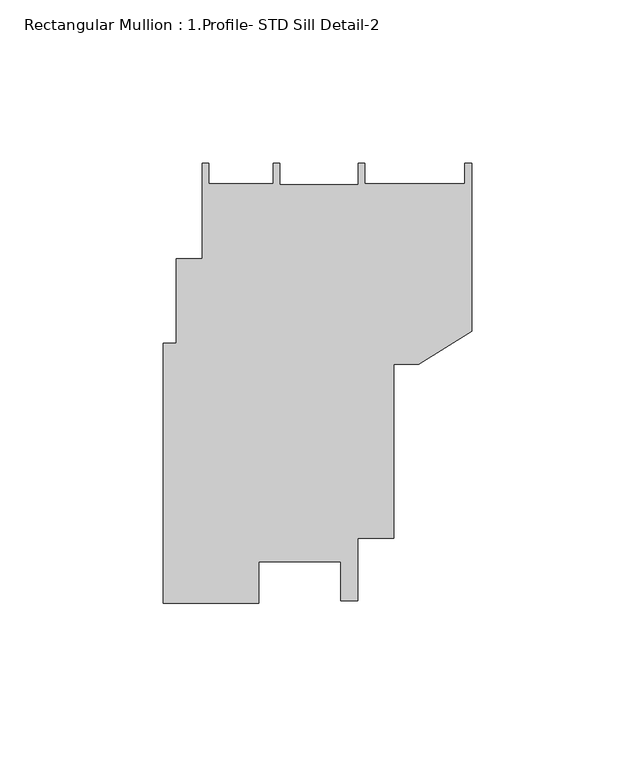
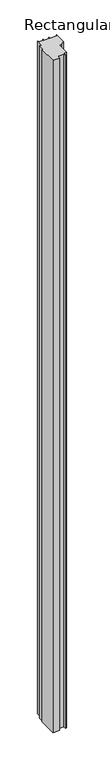
"""IFC4 building model written with IfcOpenShell, lengths in millimetres: member geometry, Rectangular Mullion : 1.Profile- STD Sill Detail-2."""

from ifc_helpers import new_model, si_unit, frame, origin, place, context, project, spatial, polyline, outline, extrude, source, transform, mapped, element, save


def rectangular_mullion_1_profile_std_sill_detail_2_d0095281(model_context):
    return source(origin(), model_context, "Body", "SweptSolid", [
        extrude(outline(polyline([(-65.2668267, -50.8), (-65.2668267, -63.4825788), (-94.5790249, -63.4825788), (-94.5790249, 16.2287404), (-90.559934, 16.2287404), (-90.559934, 42.1061187), (-82.5532698, 42.1061187), (-82.5532698, 71.4410569), (-80.5392221, 71.4410569), (-80.5392221, 65.0997179), (-60.7996131, 65.0997179), (-60.7996131, 71.4410569), (-58.7558462, 71.4410569), (-58.7558462, 64.836962), (-34.7455752, 64.836962), (-34.7455752, 71.4410569), (-32.7229577, 71.4410569), (-32.7229577, 65.0909723), (-2.0384327, 65.0909723), (-2.0384327, 71.4412301), (0.0, 71.4412301), (0.0, 19.953971), (-16.1918949, 9.7621033), (-23.8821699, 9.7621033), (-23.8821699, -43.625711), (-34.9062175, -43.625711), (-34.9062175, -62.6764844), (-40.1134288, -62.6764844), (-40.1134288, -50.8), (-65.2668267, -50.8)])), frame((0.0, 0.0, -3048.0), z_axis=(0.0, 0.0, 1.0), x_axis=(1.0, 0.0, 0.0)), (0.0, 0.0, 1.0), 3048.0),
    ])


if __name__ == "__main__":
    model = new_model("IFC4")
    model_context = context("Model", 3, world=origin())
    ifc_project = project(units=[si_unit("LENGTHUNIT", "METRE", prefix="MILLI")], contexts=[model_context])
    site = spatial("IfcSite", under=ifc_project)
    building = spatial("IfcBuilding", under=site)
    placement = place(None, origin())
    rectangular_mullion_1_profile_std_sill_detail_2_shape = rectangular_mullion_1_profile_std_sill_detail_2_d0095281(model_context)
    element("IfcMember", 1, ObjectType="Rectangular Mullion : 1.Profile- STD Sill Detail-2", at=placement, inside=building, context=model_context, shape_type="MappedRepresentation", body=[
        mapped(rectangular_mullion_1_profile_std_sill_detail_2_shape, transform((0.0, 0.0, 0.0), x_axis=(1.0, 0.0, 0.0), y_axis=(0.0, 1.0, 0.0), z_axis=(0.0, 0.0, 1.0))),
    ])
    save(model, "model.ifc")
